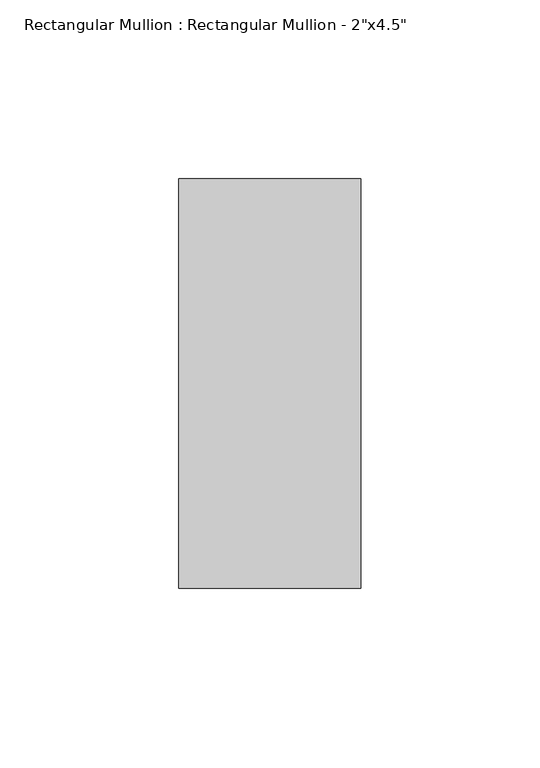
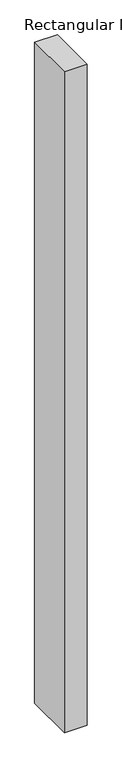
"""IFC4 building model written with IfcOpenShell, lengths in millimetres: member geometry."""

from ifc_helpers import new_model, si_unit, frame, origin, place, context, project, spatial, polyline, outline, extrude, source, transform, mapped, element, save


def member_8c556bf2(model_context):
    return source(origin(), model_context, "Body", "SweptSolid", [
        extrude(outline(polyline([(25.4, 57.15), (25.4, -57.15), (-25.4, -57.15), (-25.4, 57.15), (25.4, 57.15)])), frame((0.0, 0.0, -1558.925), z_axis=(0.0, 0.0, 1.0), x_axis=(1.0, 0.0, 0.0)), (0.0, 0.0, 1.0), 1558.925),
    ])


if __name__ == "__main__":
    model = new_model("IFC4")
    model_context = context("Model", 3, world=origin())
    ifc_project = project(units=[si_unit("LENGTHUNIT", "METRE", prefix="MILLI")], contexts=[model_context])
    site = spatial("IfcSite", under=ifc_project)
    building = spatial("IfcBuilding", under=site)
    placement = place(None, origin())
    member_shape = member_8c556bf2(model_context)
    element("IfcMember", 1, ObjectType="Rectangular Mullion : Rectangular Mullion - 2\"x4.5\"", at=placement, inside=building, context=model_context, shape_type="MappedRepresentation", body=[
        mapped(member_shape, transform((0.0, 0.0, 0.0), x_axis=(1.0, 0.0, 0.0), y_axis=(0.0, 1.0, 0.0), z_axis=(0.0, 0.0, 1.0))),
    ])
    save(model, "model.ifc")
